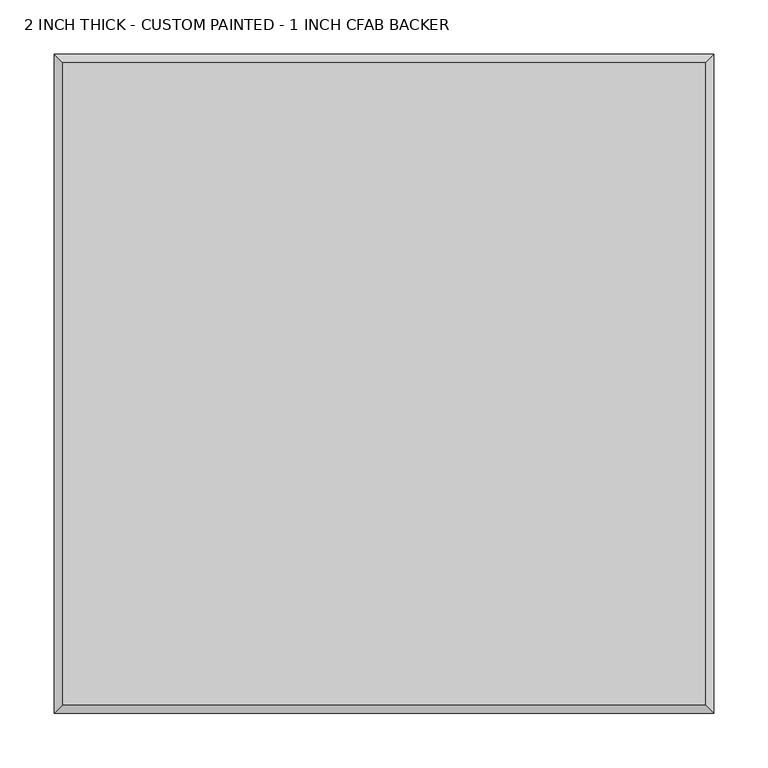
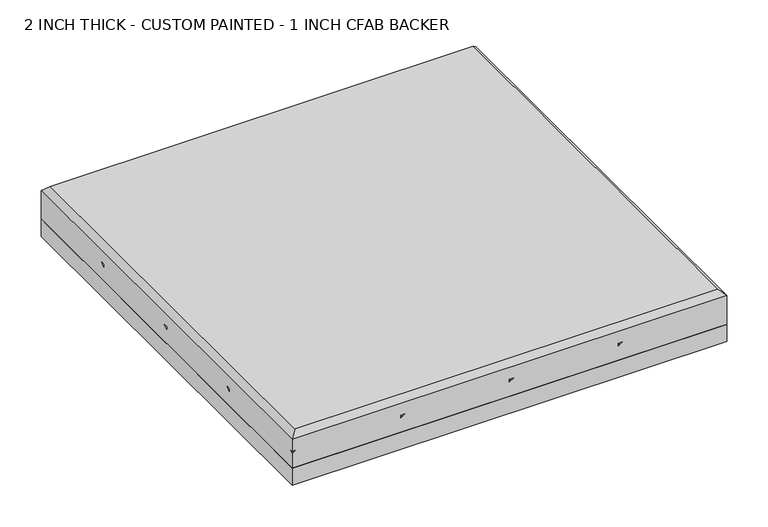
"""IFC4 building model written with IfcOpenShell, lengths in millimetres: proxy geometry, 2 INCH THICK - CUSTOM PAINTED - 1 INCH CFAB BACKER."""

from ifc_helpers import new_model, si_unit, frame, origin, place, context, project, spatial, polyline, outline, extrude, faceted_brep, source, transform, mapped, element, save


def proxy_2_inch_thick_custom_painted_1_inch_cfab_backer_b794fe67(model_context):
    return source(origin(), model_context, "Body", "SolidModel", [
        extrude(outline(polyline([(-304.8, 304.8), (304.8, 304.8), (304.8, -304.8), (-304.8, -304.8), (-304.8, 304.8)])), frame((0.0, 0.0, -25.4), z_axis=(0.0, 0.0, 1.0), x_axis=(1.0, 0.0, 0.0)), (0.0, 0.0, 1.0), 25.4),
        faceted_brep([(296.799, 296.799, 50.8), (-296.799, 296.799, 50.8), (-296.799, -296.799, 50.8), (296.799, -296.799, 50.8), (-304.8, 304.8, 0.0), (304.8, 304.8, 0.0), (304.8, -304.8, 0.0), (-304.8, -304.8, 0.0), (-304.8, -304.8, 21.3995359), (-304.8, -299.1424894, 25.4), (-304.8, -304.8, 25.4), (-304.8, -304.8, 42.799), (-304.8, 304.8, 42.799), (-304.8, -152.3999238, 21.3996078), (-304.8, -146.7425148, 25.4), (-304.8, -152.3999238, 25.4), (-304.8, 7.62e-05, 21.3996078), (-304.8, 5.6574852, 25.4), (-304.8, 7.62e-05, 25.4), (-304.8, 152.4000762, 21.3996078), (-304.8, 158.0574852, 25.4), (-304.8, 152.4000762, 25.4), (304.8, -304.8, 42.799), (-299.1423878, -304.8, 25.4), (-146.7424132, -304.8, 25.4), (-152.3999577, -304.8, 21.399512), (-152.3999238, -304.8, 25.4), (5.6575868, -304.8, 25.4), (4.23e-05, -304.8, 21.399512), (7.62e-05, -304.8, 25.4), (158.0575868, -304.8, 25.4), (152.4000423, -304.8, 21.399512), (152.4000762, -304.8, 25.4), (304.8, 304.8, 21.3995359), (304.8, 299.1423878, 25.4), (304.8, 304.8, 25.4), (304.8, 304.8, 42.799), (304.8, 152.4000762, 25.4), (304.8, 152.4000762, 21.3995), (304.8, 146.7424132, 25.4), (304.8, 7.62e-05, 25.4), (304.8, 7.62e-05, 21.3995), (304.8, -5.6575868, 25.4), (304.8, -152.3999238, 25.4), (304.8, -152.3999238, 21.3995), (304.8, -158.0575868, 25.4), (299.1424894, 304.8, 25.4), (152.4000762, 304.8, 21.3995), (152.4000762, 304.8, 25.4), (146.7425148, 304.8, 25.4), (7.62e-05, 304.8, 21.3995), (7.62e-05, 304.8, 25.4), (-5.6574852, 304.8, 25.4), (-152.3999238, 304.8, 21.3995), (-152.3999238, 304.8, 25.4), (-158.0574852, 304.8, 25.4), (301.9712701, 155.2288061, 25.4), (-155.2287299, -301.9711939, 25.4), (301.9712701, 2.8288061, 25.4), (-2.8287299, -301.9711939, 25.4), (301.9712701, -149.5711939, 25.4), (149.5712701, -301.9711939, 25.4), (155.2288569, 301.9712193, 25.4), (-301.9711431, -155.2287807, 25.4), (2.8288569, 301.9712193, 25.4), (-301.9711431, -2.8287807, 25.4), (-149.5711431, 301.9712193, 25.4), (-301.9711431, 149.5712193, 25.4)], [[[0, 1, 2, 3]], [[4, 5, 6, 7]], [[4, 7, 8, 9, 10, 11, 12], [13, 14, 15], [16, 17, 18], [19, 20, 21]], [[7, 6, 22, 11, 10, 23, 8], [24, 25, 26], [27, 28, 29], [30, 31, 32]], [[6, 5, 33, 34, 35, 36, 22], [37, 38, 39], [40, 41, 42], [43, 44, 45]], [[5, 4, 12, 36, 35, 46, 33], [47, 48, 49], [50, 51, 52], [53, 54, 55]], [[12, 1, 0, 36]], [[1, 12, 11, 2]], [[2, 11, 22, 3]], [[36, 0, 3, 22]], [[8, 33, 46, 9]], [[33, 8, 23, 34]], [[38, 56, 57, 25]], [[38, 25, 24, 39]], [[41, 58, 59, 28]], [[41, 28, 27, 42]], [[44, 60, 61, 31]], [[44, 31, 30, 45]], [[62, 47, 13, 63]], [[13, 47, 49, 14]], [[64, 50, 16, 65]], [[16, 50, 52, 17]], [[66, 53, 19, 67]], [[19, 53, 55, 20]], [[34, 23, 10, 9, 46, 35]], [[56, 38, 37]], [[57, 56, 37, 39, 24, 26]], [[25, 57, 26]], [[58, 41, 40]], [[59, 58, 40, 42, 27, 29]], [[28, 59, 29]], [[60, 44, 43]], [[61, 60, 43, 45, 30, 32]], [[31, 61, 32]], [[47, 62, 48]], [[62, 63, 15, 14, 49, 48]], [[63, 13, 15]], [[50, 64, 51]], [[64, 65, 18, 17, 52, 51]], [[65, 16, 18]], [[53, 66, 54]], [[66, 67, 21, 20, 55, 54]], [[67, 19, 21]]]),
    ])


if __name__ == "__main__":
    model = new_model("IFC4")
    model_context = context("Model", 3, world=origin())
    ifc_project = project(units=[si_unit("LENGTHUNIT", "METRE", prefix="MILLI")], contexts=[model_context])
    site = spatial("IfcSite", under=ifc_project)
    building = spatial("IfcBuilding", under=site)
    placement = place(None, origin())
    proxy_2_inch_thick_custom_painted_1_inch_cfab_backer_shape = proxy_2_inch_thick_custom_painted_1_inch_cfab_backer_b794fe67(model_context)
    element("IfcBuildingElementProxy", 1, Name="2 INCH THICK - CUSTOM PAINTED - 1 INCH CFAB BACKER", ObjectType="2 INCH THICK - CUSTOM PAINTED - 1 INCH CFAB BACKER", at=placement, inside=building, context=model_context, shape_type="MappedRepresentation", body=[
        mapped(proxy_2_inch_thick_custom_painted_1_inch_cfab_backer_shape, transform((0.0, 0.0, 0.0), x_axis=(1.0, 0.0, 0.0), y_axis=(0.0, 1.0, 0.0), z_axis=(0.0, 0.0, 1.0))),
    ])
    save(model, "model.ifc")
